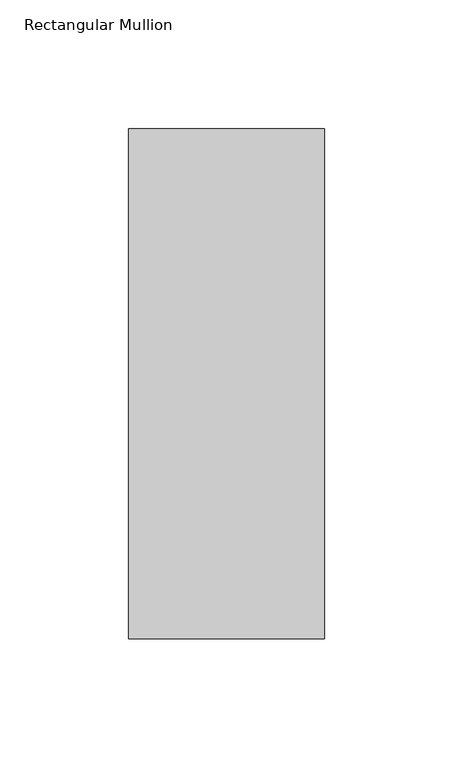
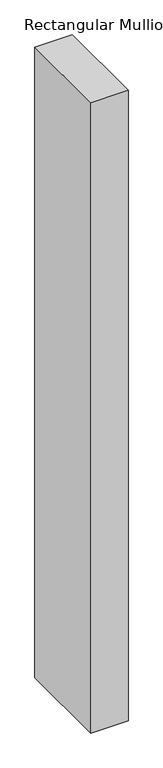
"""IFC4 building model written with IfcOpenShell, lengths in millimetres: member geometry, Rectangular Mullion."""

from ifc_helpers import new_model, si_unit, frame, origin, place, context, project, spatial, polyline, outline, extrude, source, transform, mapped, element, save


def rectangular_mullion_d28fbc05(model_context):
    return source(origin(), model_context, "Body", "SweptSolid", [
        extrude(outline(polyline([(38.1, -156.36875), (-38.1, -156.36875), (-38.1, 42.06875), (38.1, 42.06875), (38.1, -156.36875)])), frame((0.0, 0.0, -1364.45625), z_axis=(0.0, 0.0, 1.0), x_axis=(1.0, 0.0, 0.0)), (0.0, 0.0, 1.0), 1364.45625),
    ])


if __name__ == "__main__":
    model = new_model("IFC4")
    model_context = context("Model", 3, world=origin())
    ifc_project = project(units=[si_unit("LENGTHUNIT", "METRE", prefix="MILLI")], contexts=[model_context])
    site = spatial("IfcSite", under=ifc_project)
    building = spatial("IfcBuilding", under=site)
    placement = place(None, origin())
    rectangular_mullion_shape = rectangular_mullion_d28fbc05(model_context)
    element("IfcMember", 1, ObjectType="Rectangular Mullion", at=placement, inside=building, context=model_context, shape_type="MappedRepresentation", body=[
        mapped(rectangular_mullion_shape, transform((0.0, 0.0, 0.0), x_axis=(1.0, 0.0, 0.0), y_axis=(0.0, 1.0, 0.0), z_axis=(0.0, 0.0, 1.0))),
    ])
    save(model, "model.ifc")
